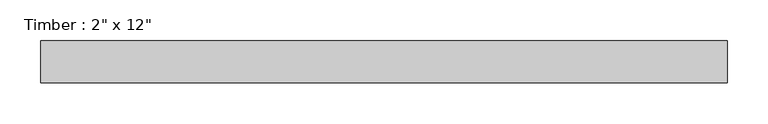
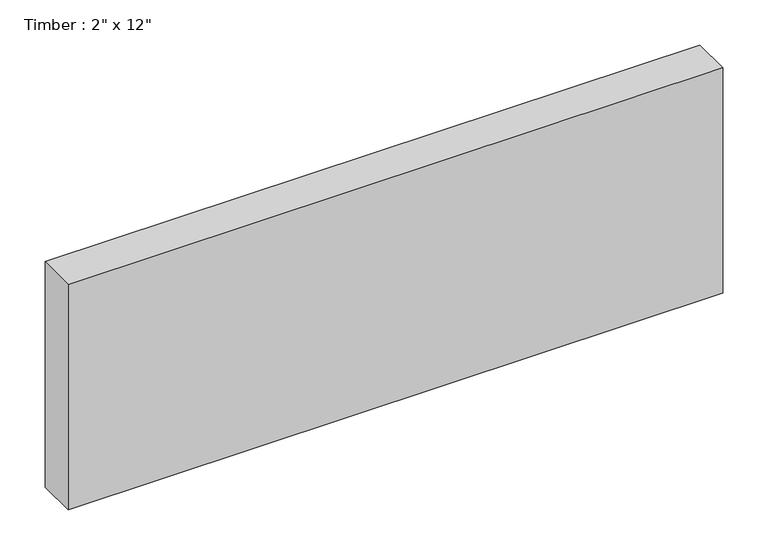
"""IFC4 building model written with IfcOpenShell, lengths in millimetres: beam geometry."""

from ifc_helpers import new_model, si_unit, frame, origin, place, context, project, spatial, polyline, outline, extrude, source, transform, mapped, element, save


def beam_760c4327(model_context):
    return source(origin(), model_context, "Body", "SweptSolid", [
        extrude(outline(polyline([(416.9043926, 25.4), (416.9043926, -25.4), (-420.0735008, -25.4), (-420.0735008, 25.4), (416.9043926, 25.4)])), frame((0.0, 0.0, -152.4), z_axis=(0.0, 0.0, 1.0), x_axis=(1.0, 0.0, 0.0)), (0.0, 0.0, 1.0), 304.8),
    ])


if __name__ == "__main__":
    model = new_model("IFC4")
    model_context = context("Model", 3, world=origin())
    ifc_project = project(units=[si_unit("LENGTHUNIT", "METRE", prefix="MILLI")], contexts=[model_context])
    site = spatial("IfcSite", under=ifc_project)
    building = spatial("IfcBuilding", under=site)
    placement = place(None, origin())
    beam_shape = beam_760c4327(model_context)
    element("IfcBeam", 1, ObjectType="Timber : 2\" x 12\"", at=placement, inside=building, context=model_context, shape_type="MappedRepresentation", body=[
        mapped(beam_shape, transform((0.0, 0.0, 0.0), x_axis=(1.0, 0.0, 0.0), y_axis=(0.0, 1.0, 0.0), z_axis=(0.0, 0.0, 1.0))),
    ])
    save(model, "model.ifc")
